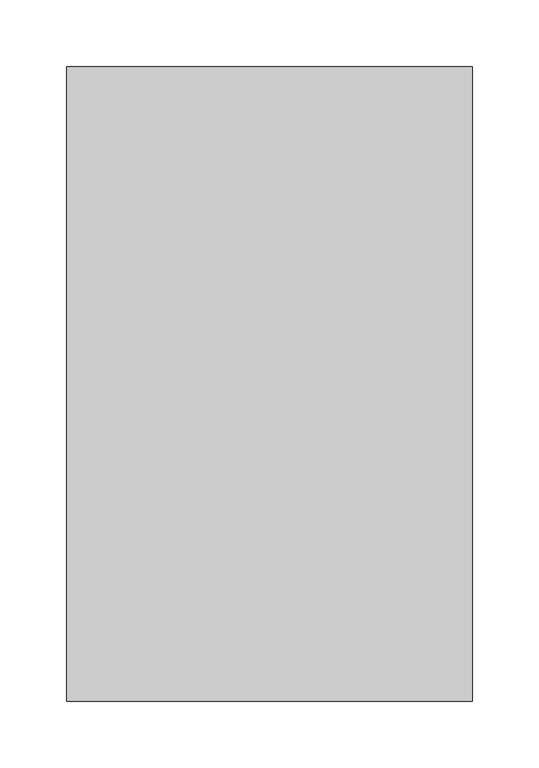
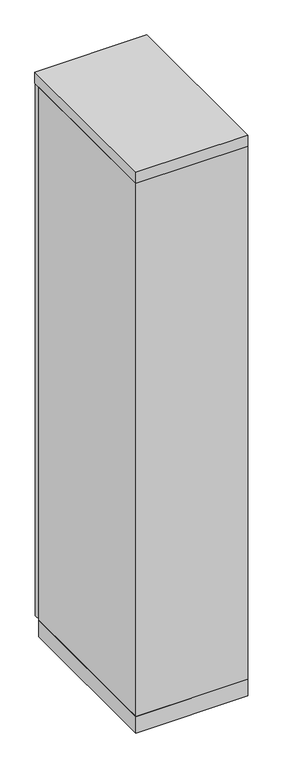
"""IFC4 building model written with IfcOpenShell, lengths in millimetres: furniture geometry."""

import ifcopenshell
import ifcopenshell.guid

model = None  # the IFC model being written
_history = None  # IfcOwnerHistory: only IFC2X3 demands one
_inside = {}  # id of a spatial element -> (the spatial element, [elements in it])
_under = {}  # id of a project, library or spatial element -> (it, [spatial elements below it])
_declared = {}  # id of a project -> (the project, [libraries it declares])
_typed = {}  # id of a type object -> (the type object, [elements of that type])
_made_of = {}  # id of a material, layer set ... -> (it, [elements and type objects made of it])


def new_model(schema):
    """Start an empty IFC model of exactly this schema.

    Asked for "IFC4X3", IfcOpenShell would pick the latest addendum, in which some entities
    have other attributes; the version numbers below select the first issue.
    IFC2X3 requires an IfcOwnerHistory on every rooted entity: one is made here for all.
    """
    global model, _history
    if schema == "IFC4X3":
        model = ifcopenshell.file(schema_version=(4, 3, 0, 0))
    else:
        model = ifcopenshell.file(schema=schema)
    _inside.clear()
    _under.clear()
    _declared.clear()
    _typed.clear()
    _made_of.clear()
    _history = None
    if model.schema == "IFC2X3":
        org = make("IfcOrganization", Name="unknown")
        user = make(
            "IfcPersonAndOrganization",
            ThePerson=make("IfcPerson", FamilyName="unknown"),
            TheOrganization=org,
        )
        app = make(
            "IfcApplication",
            ApplicationDeveloper=org,
            Version="unknown",
            ApplicationFullName="unknown",
            ApplicationIdentifier="unknown",
        )
        _history = make(
            "IfcOwnerHistory",
            OwningUser=user,
            OwningApplication=app,
            ChangeAction="ADDED",
            CreationDate=0,
        )
    return model


def make(cls, **values):
    """One entity of the class cls with the attributes given. An attribute that is None is left unset."""
    return model.create_entity(
        cls, **{name: value for name, value in values.items() if value is not None}
    )


def rooted(cls, **values):
    """An entity with a GlobalId (a new one), such as an element, a storey or a relation."""
    return make(cls, GlobalId=ifcopenshell.guid.new(), OwnerHistory=_history, **values)


def si_unit(unit_type, name, prefix=None):
    """IfcSIUnit, for example si_unit("LENGTHUNIT", "METRE", prefix="MILLI")."""
    return make("IfcSIUnit", UnitType=unit_type, Prefix=prefix, Name=name)


def assignment(units):
    """IfcUnitAssignment: the units of a project."""
    return None if units is None else make("IfcUnitAssignment", Units=units)


def point(xyz):
    """IfcCartesianPoint."""
    return None if xyz is None else make("IfcCartesianPoint", Coordinates=xyz)


def direction(xyz):
    """IfcDirection."""
    return None if xyz is None else make("IfcDirection", DirectionRatios=xyz)


def frame(location, z_axis=None, x_axis=None):
    """IfcAxis2Placement3D, a coordinate frame: its origin and axes. An axis left out is left unset."""
    return make(
        "IfcAxis2Placement3D",
        Location=point(location),
        Axis=direction(z_axis),
        RefDirection=direction(x_axis),
    )


def origin():
    """The frame at (0, 0, 0) with its axes left unset."""
    return frame((0.0, 0.0, 0.0))


def origin_with_axes():
    """The frame at (0, 0, 0) with the z axis (0, 0, 1) and the x axis (1, 0, 0) written out."""
    return frame((0.0, 0.0, 0.0), z_axis=(0.0, 0.0, 1.0), x_axis=(1.0, 0.0, 0.0))


def place(relative_to, where):
    """IfcLocalPlacement: puts the frame where relative to a parent placement (None: the world)."""
    return make(
        "IfcLocalPlacement", PlacementRelTo=relative_to, RelativePlacement=where
    )


def context(
    kind, dimensions, precision=None, world=None, true_north=None, identifier=None
):
    """IfcGeometricRepresentationContext, for example the 3D "Model" context."""
    return make(
        "IfcGeometricRepresentationContext",
        ContextIdentifier=identifier,
        ContextType=kind,
        CoordinateSpaceDimension=dimensions,
        Precision=precision,
        WorldCoordinateSystem=world,
        TrueNorth=true_north,
    )


def project(units=None, contexts=None):
    """IfcProject with its units and contexts."""
    return rooted(
        "IfcProject",
        Name="project",
        RepresentationContexts=contexts,
        UnitsInContext=assignment(units),
    )


def spatial(cls, under=None, at=None, **own):
    """A site, building, storey or space (cls), placed at a placement, below another one or the project."""
    s = rooted(cls, ObjectPlacement=at, **own)
    if under is not None:
        _under.setdefault(under.id(), (under, []))[1].append(s)
    return s


def polyline(points):
    """IfcPolyline through the points."""
    return make("IfcPolyline", Points=[point(p) for p in points])


def outline(outer, holes=None, kind="AREA"):
    """IfcArbitraryClosedProfileDef: a profile drawn as a closed curve; with holes, ...WithVoids."""
    if holes is None:
        return make("IfcArbitraryClosedProfileDef", ProfileType=kind, OuterCurve=outer)
    return make(
        "IfcArbitraryProfileDefWithVoids",
        ProfileType=kind,
        OuterCurve=outer,
        InnerCurves=holes,
    )


def extrude(swept, where, along, depth):
    """IfcExtrudedAreaSolid: the profile swept, set in the frame where, extruded along a direction by depth."""
    return make(
        "IfcExtrudedAreaSolid",
        SweptArea=swept,
        Position=where,
        ExtrudedDirection=direction(along),
        Depth=depth,
    )


def shape(context_of_items, identifier, shape_type, items):
    """IfcShapeRepresentation: the items that make up one representation, for example the "Body"."""
    return make(
        "IfcShapeRepresentation",
        ContextOfItems=context_of_items,
        RepresentationIdentifier=identifier,
        RepresentationType=shape_type,
        Items=items,
    )


def source(mapping_origin, context_of_items, identifier, shape_type, items):
    """IfcRepresentationMap: a shape defined once, which mapped items show again and again."""
    return make(
        "IfcRepresentationMap",
        MappingOrigin=mapping_origin,
        MappedRepresentation=shape(context_of_items, identifier, shape_type, items),
    )


def transform(
    local_origin,
    x_axis=None,
    y_axis=None,
    z_axis=None,
    scale=None,
    scale2=None,
    scale3=None,
    uniform=True,
):
    """IfcCartesianTransformationOperator3D, or its non-uniform kind. x_axis, y_axis, z_axis: its Axis1, 2, 3."""
    if uniform:
        return make(
            "IfcCartesianTransformationOperator3D",
            Axis1=direction(x_axis),
            Axis2=direction(y_axis),
            LocalOrigin=point(local_origin),
            Scale=scale,
            Axis3=direction(z_axis),
        )
    return make(
        "IfcCartesianTransformationOperator3DnonUniform",
        Axis1=direction(x_axis),
        Axis2=direction(y_axis),
        LocalOrigin=point(local_origin),
        Scale=scale,
        Axis3=direction(z_axis),
        Scale2=scale2,
        Scale3=scale3,
    )


def mapped(mapping_source, mapping_target):
    """IfcMappedItem: shows the shape of a source again, moved by a transform."""
    return make(
        "IfcMappedItem", MappingSource=mapping_source, MappingTarget=mapping_target
    )


def made_of(thing, what):
    """Note that an element or type object is made of a material, layer set ...; save() writes the relation."""
    if what is not None:
        _made_of.setdefault(what.id(), (what, []))[1].append(thing)
    return thing


def element(
    cls,
    number,
    at=None,
    inside=None,
    cuts=None,
    type_object=None,
    material=None,
    context=None,
    identifier="Body",
    shape_type=None,
    held_by="IfcProductDefinitionShape",
    body=None,
    shapes=None,
    **own,
):
    """One element of the class cls, such as IfcWall. Its Tag is "e" and its number.

    at: its placement. inside: the storey or other place that contains it. cuts: it is an
    opening in that element (IfcRelVoidsElement). A single representation is given by context,
    identifier, shape_type and body (its items); several are given by shapes. held_by: the class
    of the entity that holds the representations. save() writes the other relations.
    """
    e = rooted(cls, Tag="e%d" % number, ObjectPlacement=at, **own)
    if body is not None:
        shapes = [shape(context, identifier, shape_type, body)]
    if shapes is not None:
        e.Representation = make(held_by, Representations=shapes)
    if inside is not None:
        _inside.setdefault(inside.id(), (inside, []))[1].append(e)
    if cuts is not None:
        rooted(
            "IfcRelVoidsElement", RelatingBuildingElement=cuts, RelatedOpeningElement=e
        )
    if type_object is not None:
        _typed.setdefault(type_object.id(), (type_object, []))[1].append(e)
    return made_of(e, material)


def aggregate(whole, parts):
    """IfcRelAggregates: a whole, such as a stair, and the parts it consists of."""
    return rooted("IfcRelAggregates", RelatingObject=whole, RelatedObjects=parts)


def save(model, path):
    """Write the relations noted so far, then the file.

    IfcRelAggregates (storeys below a building ...), IfcRelContainedInSpatialStructure (elements
    in a storey), IfcRelDefinesByType, IfcRelAssociatesMaterial and IfcRelDeclares: one each for
    every whole, place, type object, material and project.
    """
    for whole, parts in _under.values():
        aggregate(whole, parts)
    for where, things in _inside.values():
        rooted(
            "IfcRelContainedInSpatialStructure",
            RelatedElements=things,
            RelatingStructure=where,
        )
    for kind, things in _typed.values():
        rooted("IfcRelDefinesByType", RelatedObjects=things, RelatingType=kind)
    for what, things in _made_of.values():
        rooted("IfcRelAssociatesMaterial", RelatedObjects=things, RelatingMaterial=what)
    for by, libraries in _declared.values():
        rooted("IfcRelDeclares", RelatingContext=by, RelatedDefinitions=libraries)
    model.write(path)


def furniture_45181fc7(model_context):
    return source(origin(), model_context, "Body", "SweptSolid", [
        extrude(outline(polyline([(150.8125, 476.25), (150.8125, 457.2), (-150.8125, 457.2), (-150.8125, 476.25), (150.8125, 476.25)])), frame((0.0, 0.0, 47.625), z_axis=(0.0, 0.0, 1.0), x_axis=(1.0, 0.0, 0.0)), (0.0, 0.0, 1.0), 1530.35),
        extrude(outline(polyline([(152.4, 0.0), (-152.4, 0.0), (-152.4, 457.2), (152.4, 457.2), (152.4, 0.0)])), origin_with_axes(), (0.0, 0.0, 1.0), 47.625),
        extrude(outline(polyline([(152.4, 0.0), (-152.4, 0.0), (-152.4, 476.25), (152.4, 476.25), (152.4, 0.0)])), frame((0.0, 0.0, 1581.15), z_axis=(0.0, 0.0, 1.0), x_axis=(1.0, 0.0, 0.0)), (0.0, 0.0, 1.0), 31.75),
        extrude(outline(polyline([(152.4, 0.0), (-152.4, 0.0), (-152.4, 457.2), (-133.35, 457.2), (-133.35, 19.05), (133.35, 19.05), (133.35, 457.2), (152.4, 457.2), (152.4, 0.0)])), frame((0.0, 0.0, 47.625), z_axis=(0.0, 0.0, 1.0), x_axis=(1.0, 0.0, 0.0)), (0.0, 0.0, 1.0), 1533.525),
    ])


if __name__ == "__main__":
    model = new_model("IFC4")
    model_context = context("Model", 3, world=origin())
    ifc_project = project(units=[si_unit("LENGTHUNIT", "METRE", prefix="MILLI")], contexts=[model_context])
    site = spatial("IfcSite", under=ifc_project)
    building = spatial("IfcBuilding", under=site)
    placement = place(None, origin())
    furniture_shape = furniture_45181fc7(model_context)
    element("IfcFurniture", 1, at=placement, inside=building, context=model_context, shape_type="MappedRepresentation", body=[
        mapped(furniture_shape, transform((0.0, 0.0, 0.0), x_axis=(1.0, 0.0, 0.0), y_axis=(0.0, 1.0, 0.0), z_axis=(0.0, 0.0, 1.0))),
    ])
    save(model, "model.ifc")
